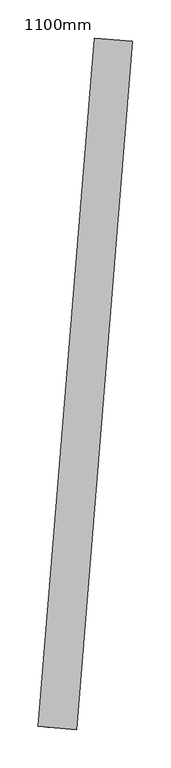
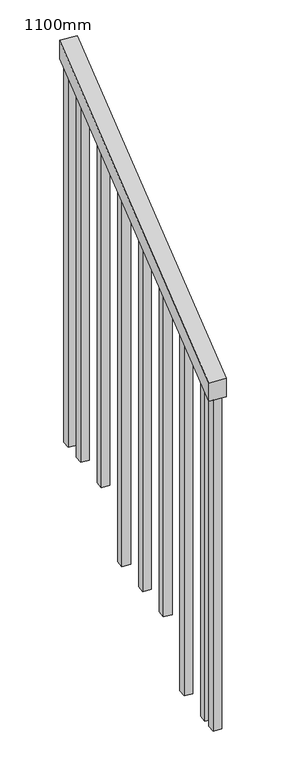
"""IFC4 building model written with IfcOpenShell, lengths in millimetres: railing geometry, 1100mm."""

from ifc_helpers import new_model, si_unit, frame, origin, place, context, project, spatial, polyline, outline, extrude, source, transform, mapped, element, save


def railing_1100mm_dc934d36(model_context):
    return source(origin(), model_context, "Body", "SweptSolid", [
        extrude(outline(polyline([(28.3333333, -50.0), (0.0, 0.0), (1034.456379, 0.0), (1062.7897123, -50.0), (28.3333333, -50.0)])), frame((-257564.3512035, 3401.1323173, 1212.5302012), z_axis=(-0.9966599631652509, 0.08166344239279313, 0.0), x_axis=(0.07104900665473086, 0.867116279703645, 0.4930125719758941)), (0.0, 0.0, 1.0), 50.0),
        extrude(outline(polyline([(107.0833333, 0.0), (1262.9468678, 0.0), (1262.9468678, -25.0), (92.9166666, -25.0), (107.0833333, 0.0)])), frame((-257511.4786991, 4199.4810809, 1772.9468678), z_axis=(-0.9966599631652507, 0.08166344239279313, 0.0), x_axis=(0.0, 0.0, -1.0)), (0.0, 0.0, 1.0), 25.0),
        extrude(outline(polyline([(107.0833333, 0.0), (1192.1135345, 0.0), (1192.1135345, -25.0), (92.9166667, -25.0), (107.0833333, 0.0)])), frame((-257521.6866294, 4074.8985855, 1702.1135345), z_axis=(-0.9966599631652507, 0.08166344239279313, 0.0), x_axis=(0.0, 0.0, -1.0)), (0.0, 0.0, 1.0), 25.0),
        extrude(outline(polyline([(107.0833334, 0.0), (1291.2802012, 0.0), (1291.2802012, -25.0), (92.9166667, -25.0), (107.0833334, 0.0)])), frame((-257531.8945597, 3950.3160901, 1631.2802012), z_axis=(-0.9966599631652507, 0.08166344239279313, 0.0), x_axis=(0.0, 0.0, -1.0)), (0.0, 0.0, 1.0), 25.0),
        extrude(outline(polyline([(107.0833333, 0.0), (1220.4468678, 0.0), (1220.4468678, -25.0), (92.9166666, -25.0), (107.0833333, 0.0)])), frame((-257542.10249, 3825.7335947, 1560.4468678), z_axis=(-0.9966599631652507, 0.08166344239279313, 0.0), x_axis=(0.0, 0.0, -1.0)), (0.0, 0.0, 1.0), 25.0),
        extrude(outline(polyline([(107.0833333, 0.0), (1149.6135345, 0.0), (1149.6135345, -25.0), (92.9166667, -25.0), (107.0833333, 0.0)])), frame((-257552.3104203, 3701.1510993, 1489.6135345), z_axis=(-0.9966599631652507, 0.08166344239279313, 0.0), x_axis=(0.0, 0.0, -1.0)), (0.0, 0.0, 1.0), 25.0),
        extrude(outline(polyline([(107.0833334, 0.0), (1248.7802012, 0.0), (1248.7802012, -25.0), (92.9166667, -25.0), (107.0833334, 0.0)])), frame((-257562.5183506, 3576.5686039, 1418.7802012), z_axis=(-0.9966599631652507, 0.08166344239279313, 0.0), x_axis=(0.0, 0.0, -1.0)), (0.0, 0.0, 1.0), 25.0),
        extrude(outline(polyline([(107.0833333, 0.0), (1177.9468678, 0.0), (1177.9468678, -25.0), (92.9166666, -25.0), (107.0833333, 0.0)])), frame((-257572.7262809, 3451.9861085, 1347.9468678), z_axis=(-0.9966599631652507, 0.08166344239279313, 0.0), x_axis=(0.0, 0.0, -1.0)), (0.0, 0.0, 1.0), 25.0),
        extrude(outline(polyline([(107.0833333, 0.0), (1305.4468678, 0.0), (1305.4468678, -25.0), (92.9166666, -25.0), (107.0833333, 0.0)])), frame((-257505.353941, 4274.2305781, 1815.4468678), z_axis=(-0.9966599631652507, 0.08166344239279313, 0.0), x_axis=(0.0, 0.0, -1.0)), (0.0, 0.0, 1.0), 25.0),
        extrude(outline(polyline([(107.0833333, 0.0), (1149.6135345, 0.0), (1149.6135345, -25.0), (92.9166667, -25.0), (107.0833333, 0.0)])), frame((-257576.8094531, 3402.1531103, 1319.6135345), z_axis=(-0.9966599631652507, 0.08166344239279313, 0.0), x_axis=(0.0, 0.0, -1.0)), (0.0, 0.0, 1.0), 25.0),
    ])


if __name__ == "__main__":
    model = new_model("IFC4")
    model_context = context("Model", 3, world=origin())
    ifc_project = project(units=[si_unit("LENGTHUNIT", "METRE", prefix="MILLI")], contexts=[model_context])
    site = spatial("IfcSite", under=ifc_project)
    building = spatial("IfcBuilding", under=site)
    placement = place(None, origin())
    railing_1100mm_shape = railing_1100mm_dc934d36(model_context)
    element("IfcRailing", 1, ObjectType="1100mm", at=placement, inside=building, context=model_context, shape_type="MappedRepresentation", body=[
        mapped(railing_1100mm_shape, transform((0.0, 0.0, 0.0), x_axis=(1.0, 0.0, 0.0), y_axis=(0.0, 1.0, 0.0), z_axis=(0.0, 0.0, 1.0))),
    ])
    save(model, "model.ifc")
